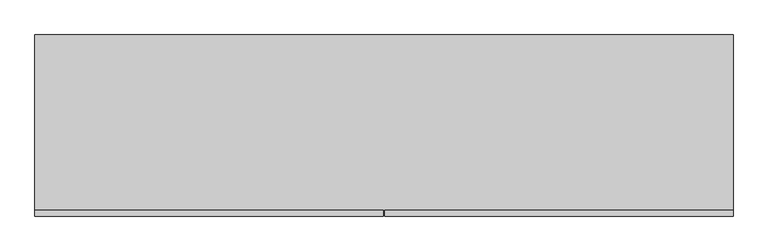
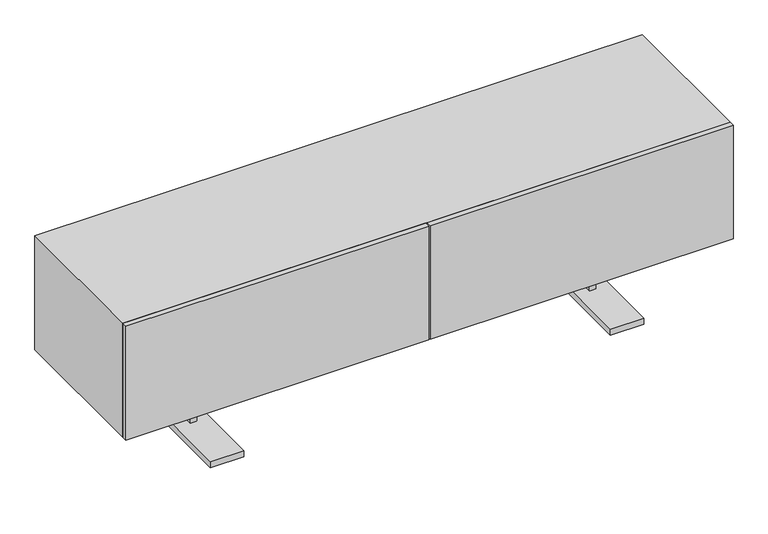
"""IFC4 building model written with IfcOpenShell, lengths in millimetres: furniture geometry."""

from ifc_helpers import new_model, si_unit, frame, origin, place, context, project, spatial, polyline, outline, extrude, faceted_brep, source, transform, mapped, element, save


def furniture_b75d1801(model_context):
    return source(origin(), model_context, "Body", "SolidModel", [
        faceted_brep([(-600.0112619, -54.3141225, 184.15), (-580.9612619, -54.3141225, 184.15), (-580.9612619, -13.8140652, 184.15), (580.3064181, -13.8140652, 184.15), (580.3064181, -54.3141225, 184.15), (599.3564181, -54.3141225, 184.15), (599.3564181, 43.6910418, 184.15), (580.3064181, 43.6910418, 184.15), (580.3064181, 5.4884, 184.15), (-580.9612619, 5.4884, 184.15), (-580.9612619, 43.6910418, 184.15), (-600.0112619, 43.6910418, 184.15), (-600.0112619, -54.3141225, 19.8859728), (-580.9612619, -54.3141225, 19.8859728), (-580.9612619, -13.8140652, 19.8859728), (-542.5112106, -13.8140652, 133.35), (541.8563668, -13.8140652, 133.35), (541.8563668, -13.8140652, 19.8859728), (580.3064181, -13.8140652, 19.8859728), (-542.5112106, -13.8140652, 19.8859728), (-542.5112106, 5.4884, 133.35), (-542.5112106, -228.6040836, 19.8859728), (-542.5112106, -228.6040836, 0.0), (-542.5112106, 219.9758393, 0.0), (-542.5112106, 219.9758393, 19.8859728), (-542.5112106, 5.4884, 19.8859728), (541.8563668, 5.4884, 133.35), (-580.9612619, 5.4884, 19.8859728), (580.3064181, 5.4884, 19.8859728), (541.8563668, 5.4884, 19.8859728), (-580.9612619, 43.6910418, 19.8859728), (-600.0112619, 43.6910418, 19.8859728), (580.3064181, -54.3141225, 19.8859728), (599.3564181, -54.3141225, 19.8859728), (541.8563668, 219.9758393, 19.8859728), (541.8563668, 219.9758393, 0.0), (541.8563668, -228.6040836, 0.0), (541.8563668, -228.6040836, 19.8859728), (580.3064181, 43.6910418, 19.8859728), (599.3564181, 43.6910418, 19.8859728), (-641.5112724, 219.9758393, 19.8859728), (-641.5112724, -228.6040836, 19.8859728), (-641.5112724, -228.6040836, 0.0), (-641.5112724, 219.9758393, 0.0), (640.8564286, -228.6040836, 19.8859728), (640.8564286, 219.9758393, 19.8859728), (640.8564286, 219.9758393, 0.0), (640.8564286, -228.6040836, 0.0)], [[[0, 1, 2, 3, 4, 5, 6, 7, 8, 9, 10, 11]], [[1, 0, 12, 13]], [[2, 1, 13, 14]], [[15, 16, 17, 18, 3, 2, 14, 19]], [[20, 15, 19, 21, 22, 23, 24, 25]], [[26, 20, 25, 27, 9, 8, 28, 29]], [[10, 9, 27, 30]], [[11, 10, 30, 31]], [[0, 11, 31, 12]], [[20, 26, 16, 15]], [[5, 4, 32, 33]], [[4, 3, 18, 32]], [[26, 29, 34, 35, 36, 37, 17, 16]], [[8, 7, 38, 28]], [[7, 6, 39, 38]], [[6, 5, 33, 39]], [[24, 40, 41, 21, 19, 14, 13, 12, 31, 30, 27, 25]], [[23, 22, 42, 43]], [[40, 24, 23, 43]], [[41, 40, 43, 42]], [[21, 41, 42, 22]], [[37, 44, 45, 34, 29, 28, 38, 39, 33, 32, 18, 17]], [[35, 46, 47, 36]], [[34, 45, 46, 35]], [[45, 44, 47, 46]], [[44, 37, 36, 47]]]),
        extrude(outline(polyline([(897.89, -225.425), (897.89, -240.42624), (2.032, -240.42624), (2.032, -225.425), (897.89, -225.425)])), frame((0.0, 0.0, 184.15), z_axis=(0.0, 0.0, 1.0), x_axis=(1.0, 0.0, 0.0)), (0.0, 0.0, 1.0), 355.6),
        extrude(outline(polyline([(-2.032, -225.425), (-2.032, -240.42624), (-897.89, -240.42624), (-897.89, -225.425), (-2.032, -225.425)])), frame((0.0, 0.0, 184.15), z_axis=(0.0, 0.0, 1.0), x_axis=(1.0, 0.0, 0.0)), (0.0, 0.0, 1.0), 355.6),
        extrude(outline(polyline([(897.89, 225.425), (897.89, -225.425), (-897.89, -225.425), (-897.89, 225.425), (897.89, 225.425)])), frame((0.0, 0.0, 184.15), z_axis=(0.0, 0.0, 1.0), x_axis=(1.0, 0.0, 0.0)), (0.0, 0.0, 1.0), 355.6),
    ])


if __name__ == "__main__":
    model = new_model("IFC4")
    model_context = context("Model", 3, world=origin())
    ifc_project = project(units=[si_unit("LENGTHUNIT", "METRE", prefix="MILLI")], contexts=[model_context])
    site = spatial("IfcSite", under=ifc_project)
    building = spatial("IfcBuilding", under=site)
    placement = place(None, origin())
    furniture_shape = furniture_b75d1801(model_context)
    element("IfcFurniture", 1, at=placement, inside=building, context=model_context, shape_type="MappedRepresentation", body=[
        mapped(furniture_shape, transform((0.0, 0.0, 0.0), x_axis=(1.0, 0.0, 0.0), y_axis=(0.0, 1.0, 0.0), z_axis=(0.0, 0.0, 1.0))),
    ])
    save(model, "model.ifc")
